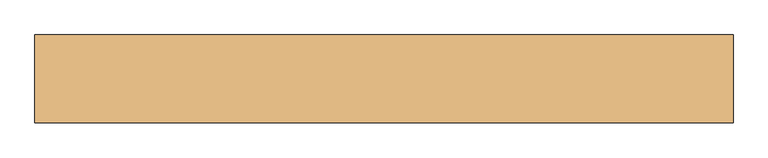
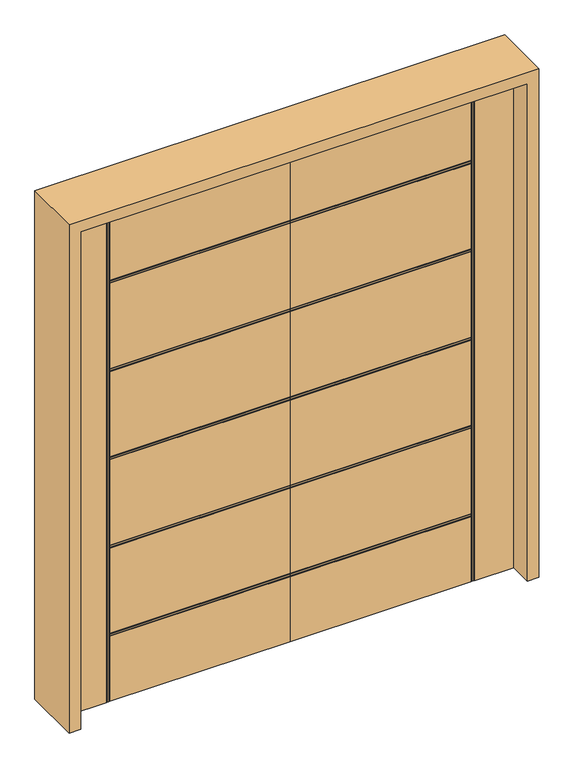
"""IFC4 building model written with IfcOpenShell, lengths in millimetres: door geometry."""

import ifcopenshell
import ifcopenshell.guid

model = None  # the IFC model being written
_history = None  # IfcOwnerHistory: only IFC2X3 demands one
_inside = {}  # id of a spatial element -> (the spatial element, [elements in it])
_under = {}  # id of a project, library or spatial element -> (it, [spatial elements below it])
_declared = {}  # id of a project -> (the project, [libraries it declares])
_typed = {}  # id of a type object -> (the type object, [elements of that type])
_made_of = {}  # id of a material, layer set ... -> (it, [elements and type objects made of it])


def new_model(schema):
    """Start an empty IFC model of exactly this schema.

    Asked for "IFC4X3", IfcOpenShell would pick the latest addendum, in which some entities
    have other attributes; the version numbers below select the first issue.
    IFC2X3 requires an IfcOwnerHistory on every rooted entity: one is made here for all.
    """
    global model, _history
    if schema == "IFC4X3":
        model = ifcopenshell.file(schema_version=(4, 3, 0, 0))
    else:
        model = ifcopenshell.file(schema=schema)
    _inside.clear()
    _under.clear()
    _declared.clear()
    _typed.clear()
    _made_of.clear()
    _history = None
    if model.schema == "IFC2X3":
        org = make("IfcOrganization", Name="unknown")
        user = make(
            "IfcPersonAndOrganization",
            ThePerson=make("IfcPerson", FamilyName="unknown"),
            TheOrganization=org,
        )
        app = make(
            "IfcApplication",
            ApplicationDeveloper=org,
            Version="unknown",
            ApplicationFullName="unknown",
            ApplicationIdentifier="unknown",
        )
        _history = make(
            "IfcOwnerHistory",
            OwningUser=user,
            OwningApplication=app,
            ChangeAction="ADDED",
            CreationDate=0,
        )
    return model


def make(cls, **values):
    """One entity of the class cls with the attributes given. An attribute that is None is left unset."""
    return model.create_entity(
        cls, **{name: value for name, value in values.items() if value is not None}
    )


def rooted(cls, **values):
    """An entity with a GlobalId (a new one), such as an element, a storey or a relation."""
    return make(cls, GlobalId=ifcopenshell.guid.new(), OwnerHistory=_history, **values)


def si_unit(unit_type, name, prefix=None):
    """IfcSIUnit, for example si_unit("LENGTHUNIT", "METRE", prefix="MILLI")."""
    return make("IfcSIUnit", UnitType=unit_type, Prefix=prefix, Name=name)


def assignment(units):
    """IfcUnitAssignment: the units of a project."""
    return None if units is None else make("IfcUnitAssignment", Units=units)


def point(xyz):
    """IfcCartesianPoint."""
    return None if xyz is None else make("IfcCartesianPoint", Coordinates=xyz)


def direction(xyz):
    """IfcDirection."""
    return None if xyz is None else make("IfcDirection", DirectionRatios=xyz)


def frame(location, z_axis=None, x_axis=None):
    """IfcAxis2Placement3D, a coordinate frame: its origin and axes. An axis left out is left unset."""
    return make(
        "IfcAxis2Placement3D",
        Location=point(location),
        Axis=direction(z_axis),
        RefDirection=direction(x_axis),
    )


def origin():
    """The frame at (0, 0, 0) with its axes left unset."""
    return frame((0.0, 0.0, 0.0))


def place(relative_to, where):
    """IfcLocalPlacement: puts the frame where relative to a parent placement (None: the world)."""
    return make(
        "IfcLocalPlacement", PlacementRelTo=relative_to, RelativePlacement=where
    )


def context(
    kind, dimensions, precision=None, world=None, true_north=None, identifier=None
):
    """IfcGeometricRepresentationContext, for example the 3D "Model" context."""
    return make(
        "IfcGeometricRepresentationContext",
        ContextIdentifier=identifier,
        ContextType=kind,
        CoordinateSpaceDimension=dimensions,
        Precision=precision,
        WorldCoordinateSystem=world,
        TrueNorth=true_north,
    )


def project(units=None, contexts=None):
    """IfcProject with its units and contexts."""
    return rooted(
        "IfcProject",
        Name="project",
        RepresentationContexts=contexts,
        UnitsInContext=assignment(units),
    )


def spatial(cls, under=None, at=None, **own):
    """A site, building, storey or space (cls), placed at a placement, below another one or the project."""
    s = rooted(cls, ObjectPlacement=at, **own)
    if under is not None:
        _under.setdefault(under.id(), (under, []))[1].append(s)
    return s


def polyline(points):
    """IfcPolyline through the points."""
    return make("IfcPolyline", Points=[point(p) for p in points])


def outline(outer, holes=None, kind="AREA"):
    """IfcArbitraryClosedProfileDef: a profile drawn as a closed curve; with holes, ...WithVoids."""
    if holes is None:
        return make("IfcArbitraryClosedProfileDef", ProfileType=kind, OuterCurve=outer)
    return make(
        "IfcArbitraryProfileDefWithVoids",
        ProfileType=kind,
        OuterCurve=outer,
        InnerCurves=holes,
    )


def extrude(swept, where, along, depth):
    """IfcExtrudedAreaSolid: the profile swept, set in the frame where, extruded along a direction by depth."""
    return make(
        "IfcExtrudedAreaSolid",
        SweptArea=swept,
        Position=where,
        ExtrudedDirection=direction(along),
        Depth=depth,
    )


def faces_of(points, faces, orient=None, outer=None):
    """IfcFace entities. A face is a list of loops; a loop is a list of indices into points, from 0.

    orient and outer hold one flag for each loop. By default every Orientation is true, the
    first loop of a face is its IfcFaceOuterBound and the others are IfcFaceBound.
    """
    made = []
    for i, loops in enumerate(faces):
        bounds = []
        for j, loop in enumerate(loops):
            is_outer = j == 0 if outer is None else outer[i][j]
            bounds.append(
                make(
                    "IfcFaceOuterBound" if is_outer else "IfcFaceBound",
                    Bound=make("IfcPolyLoop", Polygon=[points[k] for k in loop]),
                    Orientation=True if orient is None else orient[i][j],
                )
            )
        made.append(make("IfcFace", Bounds=bounds))
    return made


def faceted_brep(points, faces, orient=None, outer=None, voids=None):
    """IfcFacetedBrep: a solid bounded by flat faces; with voids (closed shells), ...WithVoids."""
    shared = [point(p) for p in points]
    hull = make("IfcClosedShell", CfsFaces=faces_of(shared, faces, orient, outer))
    if voids is None:
        return make("IfcFacetedBrep", Outer=hull)
    return make(
        "IfcFacetedBrepWithVoids",
        Outer=hull,
        Voids=[
            make(cls, CfsFaces=faces_of(shared, fs, o, b)) for cls, fs, o, b in voids
        ],
    )


def shape(context_of_items, identifier, shape_type, items):
    """IfcShapeRepresentation: the items that make up one representation, for example the "Body"."""
    return make(
        "IfcShapeRepresentation",
        ContextOfItems=context_of_items,
        RepresentationIdentifier=identifier,
        RepresentationType=shape_type,
        Items=items,
    )


def source(mapping_origin, context_of_items, identifier, shape_type, items):
    """IfcRepresentationMap: a shape defined once, which mapped items show again and again."""
    return make(
        "IfcRepresentationMap",
        MappingOrigin=mapping_origin,
        MappedRepresentation=shape(context_of_items, identifier, shape_type, items),
    )


def transform(
    local_origin,
    x_axis=None,
    y_axis=None,
    z_axis=None,
    scale=None,
    scale2=None,
    scale3=None,
    uniform=True,
):
    """IfcCartesianTransformationOperator3D, or its non-uniform kind. x_axis, y_axis, z_axis: its Axis1, 2, 3."""
    if uniform:
        return make(
            "IfcCartesianTransformationOperator3D",
            Axis1=direction(x_axis),
            Axis2=direction(y_axis),
            LocalOrigin=point(local_origin),
            Scale=scale,
            Axis3=direction(z_axis),
        )
    return make(
        "IfcCartesianTransformationOperator3DnonUniform",
        Axis1=direction(x_axis),
        Axis2=direction(y_axis),
        LocalOrigin=point(local_origin),
        Scale=scale,
        Axis3=direction(z_axis),
        Scale2=scale2,
        Scale3=scale3,
    )


def mapped(mapping_source, mapping_target):
    """IfcMappedItem: shows the shape of a source again, moved by a transform."""
    return make(
        "IfcMappedItem", MappingSource=mapping_source, MappingTarget=mapping_target
    )


def made_of(thing, what):
    """Note that an element or type object is made of a material, layer set ...; save() writes the relation."""
    if what is not None:
        _made_of.setdefault(what.id(), (what, []))[1].append(thing)
    return thing


def element(
    cls,
    number,
    at=None,
    inside=None,
    cuts=None,
    type_object=None,
    material=None,
    context=None,
    identifier="Body",
    shape_type=None,
    held_by="IfcProductDefinitionShape",
    body=None,
    shapes=None,
    **own,
):
    """One element of the class cls, such as IfcWall. Its Tag is "e" and its number.

    at: its placement. inside: the storey or other place that contains it. cuts: it is an
    opening in that element (IfcRelVoidsElement). A single representation is given by context,
    identifier, shape_type and body (its items); several are given by shapes. held_by: the class
    of the entity that holds the representations. save() writes the other relations.
    """
    e = rooted(cls, Tag="e%d" % number, ObjectPlacement=at, **own)
    if body is not None:
        shapes = [shape(context, identifier, shape_type, body)]
    if shapes is not None:
        e.Representation = make(held_by, Representations=shapes)
    if inside is not None:
        _inside.setdefault(inside.id(), (inside, []))[1].append(e)
    if cuts is not None:
        rooted(
            "IfcRelVoidsElement", RelatingBuildingElement=cuts, RelatedOpeningElement=e
        )
    if type_object is not None:
        _typed.setdefault(type_object.id(), (type_object, []))[1].append(e)
    return made_of(e, material)


def aggregate(whole, parts):
    """IfcRelAggregates: a whole, such as a stair, and the parts it consists of."""
    return rooted("IfcRelAggregates", RelatingObject=whole, RelatedObjects=parts)


def save(model, path):
    """Write the relations noted so far, then the file.

    IfcRelAggregates (storeys below a building ...), IfcRelContainedInSpatialStructure (elements
    in a storey), IfcRelDefinesByType, IfcRelAssociatesMaterial and IfcRelDeclares: one each for
    every whole, place, type object, material and project.
    """
    for whole, parts in _under.values():
        aggregate(whole, parts)
    for where, things in _inside.values():
        rooted(
            "IfcRelContainedInSpatialStructure",
            RelatedElements=things,
            RelatingStructure=where,
        )
    for kind, things in _typed.values():
        rooted("IfcRelDefinesByType", RelatedObjects=things, RelatingType=kind)
    for what, things in _made_of.values():
        rooted("IfcRelAssociatesMaterial", RelatedObjects=things, RelatingMaterial=what)
    for by, libraries in _declared.values():
        rooted("IfcRelDeclares", RelatingContext=by, RelatedDefinitions=libraries)
    model.write(path)


def door_e0cfa2b2(model_context):
    return source(origin(), model_context, "Body", "SolidModel", [
        faceted_brep([(0.0, -22.225, 0.0), (-698.5, -22.225, 0.0), (-698.5, -18.923, 0.0), (-701.802, -18.923, 0.0), (-701.802, -22.225, 0.0), (-707.898, -22.225, 0.0), (-707.898, -18.923, 0.0), (-711.2, -18.923, 0.0), (-711.2, -22.225, 0.0), (-863.6, -22.225, 0.0), (-863.6, 22.225, 0.0), (-711.2, 22.225, 0.0), (-711.2, 18.923, 0.0), (-707.898, 18.923, 0.0), (-707.898, 22.225, 0.0), (-701.802, 22.225, 0.0), (-701.802, 18.923, 0.0), (-698.5, 18.923, 0.0), (-698.5, 22.225, 0.0), (0.0, 22.225, 0.0), (0.0, -22.225, 2032.0), (0.0, -22.225, 1719.838), (0.0, -18.923, 1719.838), (0.0, -18.923, 1716.536), (0.0, -22.225, 1716.536), (0.0, -22.225, 1710.44), (0.0, -18.923, 1710.44), (0.0, -18.923, 1707.138), (0.0, -22.225, 1707.138), (0.0, -22.225, 1359.412), (0.0, -18.923, 1359.412), (0.0, -18.923, 1356.11), (0.0, -22.225, 1356.11), (0.0, -22.225, 1350.014), (0.0, -18.923, 1350.014), (0.0, -18.923, 1346.712), (0.0, -22.225, 1346.712), (0.0, -22.225, 998.986), (0.0, -18.923, 998.986), (0.0, -18.923, 995.684), (0.0, -22.225, 995.684), (0.0, -22.225, 989.588), (0.0, -18.923, 989.588), (0.0, -18.923, 986.286), (0.0, -22.225, 986.286), (0.0, -22.225, 638.56), (0.0, -18.923, 638.56), (0.0, -18.923, 635.258), (0.0, -22.225, 635.258), (0.0, -22.225, 629.162), (0.0, -18.923, 629.162), (0.0, -18.923, 625.86), (0.0, -22.225, 625.86), (0.0, -22.225, 278.134), (0.0, -18.923, 278.134), (0.0, -18.923, 274.832), (0.0, -22.225, 274.832), (0.0, -22.225, 268.736), (0.0, -18.923, 268.736), (0.0, -18.923, 265.434), (0.0, -22.225, 265.434), (0.0, 22.225, 265.434), (0.0, 18.923, 265.434), (0.0, 18.923, 268.736), (0.0, 22.225, 268.736), (0.0, 22.225, 274.832), (0.0, 18.923, 274.832), (0.0, 18.923, 278.134), (0.0, 22.225, 278.134), (0.0, 22.225, 625.86), (0.0, 18.923, 625.86), (0.0, 18.923, 629.162), (0.0, 22.225, 629.162), (0.0, 22.225, 635.258), (0.0, 18.923, 635.258), (0.0, 18.923, 638.56), (0.0, 22.225, 638.56), (0.0, 22.225, 986.286), (0.0, 18.923, 986.286), (0.0, 18.923, 989.588), (0.0, 22.225, 989.588), (0.0, 22.225, 995.684), (0.0, 18.923, 995.684), (0.0, 18.923, 998.986), (0.0, 22.225, 998.986), (0.0, 22.225, 1346.712), (0.0, 18.923, 1346.712), (0.0, 18.923, 1350.014), (0.0, 22.225, 1350.014), (0.0, 22.225, 1356.11), (0.0, 18.923, 1356.11), (0.0, 18.923, 1359.412), (0.0, 22.225, 1359.412), (0.0, 22.225, 1707.138), (0.0, 18.923, 1707.138), (0.0, 18.923, 1710.44), (0.0, 22.225, 1710.44), (0.0, 22.225, 1716.536), (0.0, 18.923, 1716.536), (0.0, 18.923, 1719.838), (0.0, 22.225, 1719.838), (0.0, 22.225, 2032.0), (-698.5, 22.225, 1719.838), (-698.5, 22.225, 2032.0), (-701.802, 22.225, 2032.0), (-707.898, 22.225, 2032.0), (-698.5, 22.225, 265.434), (-698.5, 22.225, 268.736), (-698.5, 22.225, 274.832), (-698.5, 22.225, 278.134), (-698.5, 22.225, 625.86), (-698.5, 22.225, 629.162), (-698.5, 22.225, 635.258), (-698.5, 22.225, 638.56), (-698.5, 22.225, 986.286), (-698.5, 22.225, 989.588), (-698.5, 22.225, 995.684), (-698.5, 22.225, 998.986), (-698.5, 22.225, 1346.712), (-698.5, 22.225, 1710.44), (-698.5, 22.225, 1716.536), (-698.5, 22.225, 1350.014), (-698.5, 22.225, 1356.11), (-698.5, 22.225, 1359.412), (-698.5, 22.225, 1707.138), (-863.6, 22.225, 2032.0), (-711.2, 22.225, 2032.0), (-863.6, -22.225, 2032.0), (-711.2, -22.225, 2032.0), (-698.5, -22.225, 265.434), (-707.898, -22.225, 2032.0), (-701.802, -22.225, 2032.0), (-698.5, -22.225, 274.832), (-698.5, -22.225, 268.736), (-698.5, -22.225, 625.86), (-698.5, -22.225, 278.134), (-698.5, -22.225, 635.258), (-698.5, -22.225, 629.162), (-698.5, -22.225, 986.286), (-698.5, -22.225, 638.56), (-698.5, -22.225, 995.684), (-698.5, -22.225, 989.588), (-698.5, -22.225, 2032.0), (-698.5, -22.225, 1719.838), (-698.5, -22.225, 1716.536), (-698.5, -22.225, 1710.44), (-698.5, -22.225, 1346.712), (-698.5, -22.225, 998.986), (-698.5, -22.225, 1356.11), (-698.5, -22.225, 1350.014), (-698.5, -22.225, 1707.138), (-698.5, -22.225, 1359.412), (-711.2, -18.923, 2032.0), (-707.898, -18.923, 2032.0), (-701.802, -18.923, 2032.0), (-698.5, -18.923, 2032.0), (-698.5, 18.923, 2032.0), (-701.802, 18.923, 2032.0), (-707.898, 18.923, 2032.0), (-711.2, 18.923, 2032.0), (-698.5, 18.923, 265.434), (-698.5, 18.923, 1719.838), (-698.5, 18.923, 1716.536), (-698.5, 18.923, 1710.44), (-698.5, 18.923, 1707.138), (-698.5, 18.923, 1359.412), (-698.5, 18.923, 1356.11), (-698.5, 18.923, 1350.014), (-698.5, 18.923, 1346.712), (-698.5, 18.923, 998.986), (-698.5, 18.923, 995.684), (-698.5, 18.923, 989.588), (-698.5, 18.923, 986.286), (-698.5, 18.923, 638.56), (-698.5, 18.923, 635.258), (-698.5, 18.923, 629.162), (-698.5, 18.923, 625.86), (-698.5, 18.923, 278.134), (-698.5, 18.923, 274.832), (-698.5, 18.923, 268.736), (-698.5, -18.923, 265.434), (-698.5, -18.923, 268.736), (-698.5, -18.923, 274.832), (-698.5, -18.923, 278.134), (-698.5, -18.923, 625.86), (-698.5, -18.923, 629.162), (-698.5, -18.923, 635.258), (-698.5, -18.923, 638.56), (-698.5, -18.923, 986.286), (-698.5, -18.923, 989.588), (-698.5, -18.923, 995.684), (-698.5, -18.923, 998.986), (-698.5, -18.923, 1346.712), (-698.5, -18.923, 1350.014), (-698.5, -18.923, 1356.11), (-698.5, -18.923, 1359.412), (-698.5, -18.923, 1707.138), (-698.5, -18.923, 1710.44), (-698.5, -18.923, 1716.536), (-698.5, -18.923, 1719.838)], [[[0, 1, 2, 3, 4, 5, 6, 7, 8, 9, 10, 11, 12, 13, 14, 15, 16, 17, 18, 19]], [[20, 21, 22, 23, 24, 25, 26, 27, 28, 29, 30, 31, 32, 33, 34, 35, 36, 37, 38, 39, 40, 41, 42, 43, 44, 45, 46, 47, 48, 49, 50, 51, 52, 53, 54, 55, 56, 57, 58, 59, 60, 0, 19, 61, 62, 63, 64, 65, 66, 67, 68, 69, 70, 71, 72, 73, 74, 75, 76, 77, 78, 79, 80, 81, 82, 83, 84, 85, 86, 87, 88, 89, 90, 91, 92, 93, 94, 95, 96, 97, 98, 99, 100, 101]], [[101, 100, 102, 103]], [[104, 15, 14, 105]], [[18, 106, 61, 19]], [[64, 107, 108, 65]], [[68, 109, 110, 69]], [[72, 111, 112, 73]], [[76, 113, 114, 77]], [[80, 115, 116, 81]], [[84, 117, 118, 85]], [[96, 119, 120, 97]], [[88, 121, 122, 89]], [[92, 123, 124, 93]], [[125, 126, 11, 10]], [[125, 10, 9, 127]], [[9, 8, 128, 127]], [[0, 60, 129, 1]], [[130, 5, 4, 131]], [[56, 132, 133, 57]], [[52, 134, 135, 53]], [[48, 136, 137, 49]], [[44, 138, 139, 45]], [[40, 140, 141, 41]], [[142, 143, 21, 20]], [[24, 144, 145, 25]], [[36, 146, 147, 37]], [[32, 148, 149, 33]], [[28, 150, 151, 29]], [[127, 128, 152, 153, 130, 131, 154, 155, 142, 20, 101, 103, 156, 157, 104, 105, 158, 159, 126, 125]], [[160, 106, 18, 17]], [[13, 12, 159, 158]], [[17, 16, 157, 156, 161, 99, 98, 162, 163, 95, 94, 164, 165, 91, 90, 166, 167, 87, 86, 168, 169, 83, 82, 170, 171, 79, 78, 172, 173, 75, 74, 174, 175, 71, 70, 176, 177, 67, 66, 178, 179, 63, 62, 160]], [[16, 15, 104, 157]], [[158, 105, 14, 13]], [[12, 11, 126, 159]], [[62, 61, 106, 160]], [[66, 65, 108, 178]], [[178, 108, 107, 179]], [[179, 107, 64, 63]], [[70, 69, 110, 176]], [[176, 110, 109, 177]], [[177, 109, 68, 67]], [[74, 73, 112, 174]], [[174, 112, 111, 175]], [[175, 111, 72, 71]], [[78, 77, 114, 172]], [[172, 114, 113, 173]], [[173, 113, 76, 75]], [[82, 81, 116, 170]], [[170, 116, 115, 171]], [[171, 115, 80, 79]], [[168, 118, 117, 169]], [[169, 117, 84, 83]], [[164, 124, 123, 165]], [[94, 93, 124, 164]], [[163, 119, 96, 95]], [[162, 120, 119, 163]], [[98, 97, 120, 162]], [[161, 102, 100, 99]], [[156, 103, 102, 161]], [[86, 85, 118, 168]], [[167, 121, 88, 87]], [[166, 122, 121, 167]], [[90, 89, 122, 166]], [[165, 123, 92, 91]], [[152, 128, 8, 7]], [[3, 2, 180, 59, 58, 181, 182, 55, 54, 183, 184, 51, 50, 185, 186, 47, 46, 187, 188, 43, 42, 189, 190, 39, 38, 191, 192, 35, 34, 193, 194, 31, 30, 195, 196, 27, 26, 197, 198, 23, 22, 199, 155, 154]], [[7, 6, 153, 152]], [[6, 5, 130, 153]], [[154, 131, 4, 3]], [[2, 1, 129, 180]], [[180, 129, 60, 59]], [[58, 57, 133, 181]], [[181, 133, 132, 182]], [[182, 132, 56, 55]], [[54, 53, 135, 183]], [[183, 135, 134, 184]], [[184, 134, 52, 51]], [[50, 49, 137, 185]], [[185, 137, 136, 186]], [[186, 136, 48, 47]], [[46, 45, 139, 187]], [[187, 139, 138, 188]], [[188, 138, 44, 43]], [[42, 41, 141, 189]], [[189, 141, 140, 190]], [[190, 140, 40, 39]], [[38, 37, 147, 191]], [[191, 147, 146, 192]], [[195, 151, 150, 196]], [[196, 150, 28, 27]], [[26, 25, 145, 197]], [[197, 145, 144, 198]], [[198, 144, 24, 23]], [[22, 21, 143, 199]], [[199, 143, 142, 155]], [[192, 146, 36, 35]], [[34, 33, 149, 193]], [[193, 149, 148, 194]], [[194, 148, 32, 31]], [[30, 29, 151, 195]]]),
        faceted_brep([(0.0, -22.225, 0.0), (0.0, 22.225, 0.0), (698.5, 22.225, 0.0), (698.5, 18.923, 0.0), (701.802, 18.923, 0.0), (701.802, 22.225, 0.0), (707.898, 22.225, 0.0), (707.898, 18.923, 0.0), (711.2, 18.923, 0.0), (711.2, 22.225, 0.0), (863.6, 22.225, 0.0), (863.6, -22.225, 0.0), (711.2, -22.225, 0.0), (711.2, -18.923, 0.0), (707.898, -18.923, 0.0), (707.898, -22.225, 0.0), (701.802, -22.225, 0.0), (701.802, -18.923, 0.0), (698.5, -18.923, 0.0), (698.5, -22.225, 0.0), (0.0, -22.225, 2032.0), (0.0, 22.225, 2032.0), (0.0, 22.225, 1719.838), (0.0, 18.923, 1719.838), (0.0, 18.923, 1716.536), (0.0, 22.225, 1716.536), (0.0, 22.225, 1710.44), (0.0, 18.923, 1710.44), (0.0, 18.923, 1707.138), (0.0, 22.225, 1707.138), (0.0, 22.225, 1359.412), (0.0, 18.923, 1359.412), (0.0, 18.923, 1356.11), (0.0, 22.225, 1356.11), (0.0, 22.225, 1350.014), (0.0, 18.923, 1350.014), (0.0, 18.923, 1346.712), (0.0, 22.225, 1346.712), (0.0, 22.225, 998.986), (0.0, 18.923, 998.986), (0.0, 18.923, 995.684), (0.0, 22.225, 995.684), (0.0, 22.225, 989.588), (0.0, 18.923, 989.588), (0.0, 18.923, 986.286), (0.0, 22.225, 986.286), (0.0, 22.225, 638.56), (0.0, 18.923, 638.56), (0.0, 18.923, 635.258), (0.0, 22.225, 635.258), (0.0, 22.225, 629.162), (0.0, 18.923, 629.162), (0.0, 18.923, 625.86), (0.0, 22.225, 625.86), (0.0, 22.225, 278.134), (0.0, 18.923, 278.134), (0.0, 18.923, 274.832), (0.0, 22.225, 274.832), (0.0, 22.225, 268.736), (0.0, 18.923, 268.736), (0.0, 18.923, 265.434), (0.0, 22.225, 265.434), (0.0, -22.225, 265.434), (0.0, -18.923, 265.434), (0.0, -18.923, 268.736), (0.0, -22.225, 268.736), (0.0, -22.225, 274.832), (0.0, -18.923, 274.832), (0.0, -18.923, 278.134), (0.0, -22.225, 278.134), (0.0, -22.225, 625.86), (0.0, -18.923, 625.86), (0.0, -18.923, 629.162), (0.0, -22.225, 629.162), (0.0, -22.225, 635.258), (0.0, -18.923, 635.258), (0.0, -18.923, 638.56), (0.0, -22.225, 638.56), (0.0, -22.225, 986.286), (0.0, -18.923, 986.286), (0.0, -18.923, 989.588), (0.0, -22.225, 989.588), (0.0, -22.225, 995.684), (0.0, -18.923, 995.684), (0.0, -18.923, 998.986), (0.0, -22.225, 998.986), (0.0, -22.225, 1346.712), (0.0, -18.923, 1346.712), (0.0, -18.923, 1350.014), (0.0, -22.225, 1350.014), (0.0, -22.225, 1356.11), (0.0, -18.923, 1356.11), (0.0, -18.923, 1359.412), (0.0, -22.225, 1359.412), (0.0, -22.225, 1707.138), (0.0, -18.923, 1707.138), (0.0, -18.923, 1710.44), (0.0, -22.225, 1710.44), (0.0, -22.225, 1716.536), (0.0, -18.923, 1716.536), (0.0, -18.923, 1719.838), (0.0, -22.225, 1719.838), (698.5, 22.225, 265.434), (698.5, 22.225, 1716.536), (698.5, 22.225, 1710.44), (698.5, 22.225, 1707.138), (698.5, 22.225, 1359.412), (698.5, 22.225, 1356.11), (698.5, 22.225, 1350.014), (698.5, 22.225, 1346.712), (698.5, 22.225, 998.986), (698.5, 22.225, 995.684), (698.5, 22.225, 989.588), (698.5, 22.225, 986.286), (698.5, 22.225, 638.56), (698.5, 22.225, 635.258), (698.5, 22.225, 629.162), (698.5, 22.225, 625.86), (698.5, 22.225, 278.134), (698.5, 22.225, 274.832), (698.5, 22.225, 268.736), (863.6, 22.225, 2032.0), (711.2, 22.225, 2032.0), (701.802, 22.225, 2032.0), (707.898, 22.225, 2032.0), (698.5, 22.225, 2032.0), (698.5, 22.225, 1719.838), (863.6, -22.225, 2032.0), (698.5, -22.225, 265.434), (711.2, -22.225, 2032.0), (698.5, -22.225, 268.736), (698.5, -22.225, 274.832), (698.5, -22.225, 278.134), (698.5, -22.225, 625.86), (698.5, -22.225, 629.162), (698.5, -22.225, 635.258), (698.5, -22.225, 638.56), (698.5, -22.225, 986.286), (698.5, -22.225, 989.588), (698.5, -22.225, 995.684), (698.5, -22.225, 998.986), (698.5, -22.225, 1346.712), (698.5, -22.225, 1710.44), (698.5, -22.225, 1716.536), (698.5, -22.225, 1350.014), (698.5, -22.225, 1356.11), (698.5, -22.225, 1359.412), (698.5, -22.225, 1707.138), (698.5, -22.225, 2032.0), (698.5, -22.225, 1719.838), (707.898, -22.225, 2032.0), (701.802, -22.225, 2032.0), (711.2, 18.923, 2032.0), (707.898, 18.923, 2032.0), (701.802, 18.923, 2032.0), (698.5, 18.923, 2032.0), (698.5, -18.923, 2032.0), (701.802, -18.923, 2032.0), (707.898, -18.923, 2032.0), (711.2, -18.923, 2032.0), (698.5, 18.923, 265.434), (698.5, 18.923, 268.736), (698.5, 18.923, 274.832), (698.5, 18.923, 278.134), (698.5, 18.923, 625.86), (698.5, 18.923, 629.162), (698.5, 18.923, 635.258), (698.5, 18.923, 638.56), (698.5, 18.923, 986.286), (698.5, 18.923, 989.588), (698.5, 18.923, 995.684), (698.5, 18.923, 998.986), (698.5, 18.923, 1346.712), (698.5, 18.923, 1350.014), (698.5, 18.923, 1356.11), (698.5, 18.923, 1359.412), (698.5, 18.923, 1707.138), (698.5, 18.923, 1710.44), (698.5, 18.923, 1716.536), (698.5, 18.923, 1719.838), (698.5, -18.923, 1719.838), (698.5, -18.923, 1716.536), (698.5, -18.923, 1710.44), (698.5, -18.923, 1707.138), (698.5, -18.923, 1359.412), (698.5, -18.923, 1356.11), (698.5, -18.923, 1350.014), (698.5, -18.923, 1346.712), (698.5, -18.923, 998.986), (698.5, -18.923, 995.684), (698.5, -18.923, 989.588), (698.5, -18.923, 986.286), (698.5, -18.923, 638.56), (698.5, -18.923, 635.258), (698.5, -18.923, 629.162), (698.5, -18.923, 625.86), (698.5, -18.923, 278.134), (698.5, -18.923, 274.832), (698.5, -18.923, 268.736), (698.5, -18.923, 265.434)], [[[0, 1, 2, 3, 4, 5, 6, 7, 8, 9, 10, 11, 12, 13, 14, 15, 16, 17, 18, 19]], [[20, 21, 22, 23, 24, 25, 26, 27, 28, 29, 30, 31, 32, 33, 34, 35, 36, 37, 38, 39, 40, 41, 42, 43, 44, 45, 46, 47, 48, 49, 50, 51, 52, 53, 54, 55, 56, 57, 58, 59, 60, 61, 1, 0, 62, 63, 64, 65, 66, 67, 68, 69, 70, 71, 72, 73, 74, 75, 76, 77, 78, 79, 80, 81, 82, 83, 84, 85, 86, 87, 88, 89, 90, 91, 92, 93, 94, 95, 96, 97, 98, 99, 100, 101]], [[2, 1, 61, 102]], [[26, 25, 103, 104]], [[30, 29, 105, 106]], [[34, 33, 107, 108]], [[38, 37, 109, 110]], [[42, 41, 111, 112]], [[46, 45, 113, 114]], [[50, 49, 115, 116]], [[54, 53, 117, 118]], [[58, 57, 119, 120]], [[121, 10, 9, 122]], [[123, 124, 6, 5]], [[21, 125, 126, 22]], [[121, 127, 11, 10]], [[0, 19, 128, 62]], [[11, 127, 129, 12]], [[66, 65, 130, 131]], [[70, 69, 132, 133]], [[74, 73, 134, 135]], [[78, 77, 136, 137]], [[82, 81, 138, 139]], [[86, 85, 140, 141]], [[98, 97, 142, 143]], [[90, 89, 144, 145]], [[94, 93, 146, 147]], [[148, 20, 101, 149]], [[150, 151, 16, 15]], [[127, 121, 122, 152, 153, 124, 123, 154, 155, 125, 21, 20, 148, 156, 157, 151, 150, 158, 159, 129]], [[160, 3, 2, 102]], [[3, 160, 60, 59, 161, 162, 56, 55, 163, 164, 52, 51, 165, 166, 48, 47, 167, 168, 44, 43, 169, 170, 40, 39, 171, 172, 36, 35, 173, 174, 32, 31, 175, 176, 28, 27, 177, 178, 24, 23, 179, 155, 154, 4]], [[7, 153, 152, 8]], [[4, 154, 123, 5]], [[153, 7, 6, 124]], [[8, 152, 122, 9]], [[60, 160, 102, 61]], [[56, 162, 119, 57]], [[162, 161, 120, 119]], [[161, 59, 58, 120]], [[52, 164, 117, 53]], [[164, 163, 118, 117]], [[163, 55, 54, 118]], [[48, 166, 115, 49]], [[166, 165, 116, 115]], [[165, 51, 50, 116]], [[44, 168, 113, 45]], [[168, 167, 114, 113]], [[167, 47, 46, 114]], [[40, 170, 111, 41]], [[170, 169, 112, 111]], [[169, 43, 42, 112]], [[172, 171, 110, 109]], [[171, 39, 38, 110]], [[176, 175, 106, 105]], [[28, 176, 105, 29]], [[177, 27, 26, 104]], [[178, 177, 104, 103]], [[24, 178, 103, 25]], [[179, 23, 22, 126]], [[155, 179, 126, 125]], [[36, 172, 109, 37]], [[173, 35, 34, 108]], [[174, 173, 108, 107]], [[32, 174, 107, 33]], [[175, 31, 30, 106]], [[159, 13, 12, 129]], [[13, 159, 158, 14]], [[17, 157, 156, 180, 100, 99, 181, 182, 96, 95, 183, 184, 92, 91, 185, 186, 88, 87, 187, 188, 84, 83, 189, 190, 80, 79, 191, 192, 76, 75, 193, 194, 72, 71, 195, 196, 68, 67, 197, 198, 64, 63, 199, 18]], [[14, 158, 150, 15]], [[157, 17, 16, 151]], [[18, 199, 128, 19]], [[199, 63, 62, 128]], [[64, 198, 130, 65]], [[198, 197, 131, 130]], [[197, 67, 66, 131]], [[68, 196, 132, 69]], [[196, 195, 133, 132]], [[195, 71, 70, 133]], [[72, 194, 134, 73]], [[194, 193, 135, 134]], [[193, 75, 74, 135]], [[76, 192, 136, 77]], [[192, 191, 137, 136]], [[191, 79, 78, 137]], [[80, 190, 138, 81]], [[190, 189, 139, 138]], [[189, 83, 82, 139]], [[84, 188, 140, 85]], [[188, 187, 141, 140]], [[184, 183, 147, 146]], [[183, 95, 94, 147]], [[96, 182, 142, 97]], [[182, 181, 143, 142]], [[181, 99, 98, 143]], [[100, 180, 149, 101]], [[180, 156, 148, 149]], [[187, 87, 86, 141]], [[88, 186, 144, 89]], [[186, 185, 145, 144]], [[185, 91, 90, 145]], [[92, 184, 146, 93]]]),
        extrude(outline(polyline([(0.0, -908.05), (0.0, -863.6), (2032.0, -863.6), (2032.0, 863.6), (0.0, 863.6), (0.0, 908.05), (2076.45, 908.05), (2076.45, -908.05), (0.0, -908.05)])), frame((0.0, -114.3, 0.0), z_axis=(0.0, 1.0, 0.0), x_axis=(0.0, 0.0, 1.0)), (0.0, 0.0, 1.0), 228.6),
    ])


if __name__ == "__main__":
    model = new_model("IFC4")
    model_context = context("Model", 3, world=origin())
    ifc_project = project(units=[si_unit("LENGTHUNIT", "METRE", prefix="MILLI")], contexts=[model_context])
    site = spatial("IfcSite", under=ifc_project)
    building = spatial("IfcBuilding", under=site)
    placement = place(None, origin())
    door_shape = door_e0cfa2b2(model_context)
    element("IfcDoor", 1, at=placement, inside=building, context=model_context, shape_type="MappedRepresentation", body=[
        mapped(door_shape, transform((0.0, 0.0, 0.0), x_axis=(1.0, 0.0, 0.0), y_axis=(0.0, 1.0, 0.0), z_axis=(0.0, 0.0, 1.0))),
    ])
    save(model, "model.ifc")
